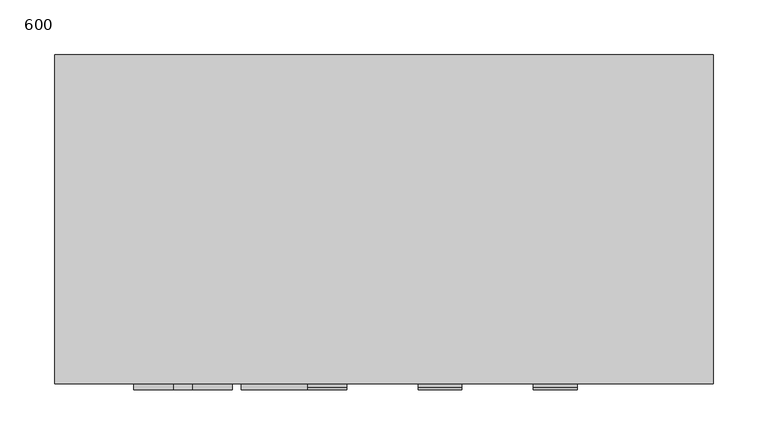
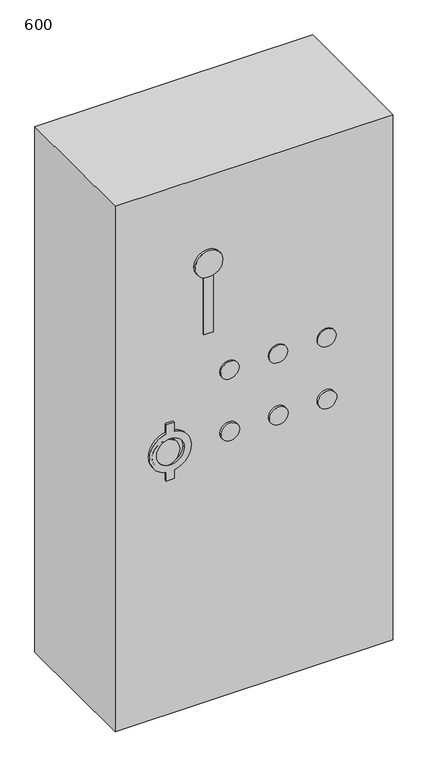
"""IFC4 building model written with IfcOpenShell, lengths in millimetres: proxy geometry, 600."""

from ifc_helpers import new_model, si_unit, point, frame, frame_2d, origin, origin_with_axes, place, context, project, spatial, polyline, circle_curve, trimmed, segment, composite_curve, outline, extrude, source, transform, mapped, element, save


def proxy_600_3b898aa9(model_context):
    return source(origin(), model_context, "Body", "SweptSolid", [
        extrude(outline(composite_curve([segment(polyline([(646.2263443, -174.8580277), (666.1935571, -174.8580277), (666.1935571, -191.848327), (646.1935571, -191.848327)]), True, "CONTINUOUS"), segment(trimmed(circle_curve(frame_2d((602.0191723, -183.2678997)), 45.0), [point((646.1935571, -191.848327))], [point((557.8447876, -191.848327))], False, "CARTESIAN"), True, "CONTINUOUS"), segment(polyline([(557.8447876, -191.848327), (537.8447876, -191.848327), (537.8447876, -174.8580277), (557.8120004, -174.8580277)]), True, "CONTINUOUS"), segment(trimmed(circle_curve(frame_2d((602.0191723, -183.2678997)), 45.0), [point((557.8120004, -174.8580277))], [point((646.2263443, -174.8580277))], False, "CARTESIAN"), True, "CONTINUOUS")], self_intersect=False), holes=[composite_curve([segment(trimmed(circle_curve(frame_2d((602.0191723, -183.2678997)), 30.0), [point((602.0191723, -153.2678997))], [point((602.0191723, -213.2678997))], True, "CARTESIAN"), True, "CONTINUOUS"), segment(trimmed(circle_curve(frame_2d((602.0191723, -183.2678997)), 30.0), [point((602.0191723, -213.2678997))], [point((602.0191723, -153.2678997))], True, "CARTESIAN"), True, "CONTINUOUS")], self_intersect=False)]), frame((0.0, -154.9964393, 0.0), z_axis=(0.0, 1.0, 0.0), x_axis=(0.0, 0.0, 1.0)), (0.0, 0.0, 1.0), 41.1845185),
        extrude(outline(composite_curve([segment(trimmed(circle_curve(frame_2d((602.0191723, -193.2678997)), 30.0), [point((602.0191723, -163.2678997))], [point((602.0191723, -223.2678997))], False, "CARTESIAN"), True, "CONTINUOUS"), segment(trimmed(circle_curve(frame_2d((602.0191723, -193.2678997)), 30.0), [point((602.0191723, -223.2678997))], [point((602.0191723, -163.2678997))], False, "CARTESIAN"), True, "CONTINUOUS")], self_intersect=False)), frame((0.0, -154.9964393, 0.0), z_axis=(0.0, 1.0, 0.0), x_axis=(0.0, 0.0, 1.0)), (0.0, 0.0, 1.0), 41.1845185),
        extrude(outline(composite_curve([segment(trimmed(circle_curve(frame_2d((602.0475838, -53.9159704)), 20.0), [point((602.0475838, -33.9159704))], [point((602.0475838, -73.9159704))], False, "CARTESIAN"), True, "CONTINUOUS"), segment(trimmed(circle_curve(frame_2d((602.0475838, -53.9159704)), 20.0), [point((602.0475838, -73.9159704))], [point((602.0475838, -33.9159704))], False, "CARTESIAN"), True, "CONTINUOUS")], self_intersect=False)), frame((0.0, -154.9964393, 0.0), z_axis=(0.0, 1.0, 0.0), x_axis=(0.0, 0.0, 1.0)), (0.0, 0.0, 1.0), 41.1845185),
        extrude(outline(composite_curve([segment(trimmed(circle_curve(frame_2d((602.0475838, 51.0840296)), 20.0), [point((602.0475838, 71.0840296))], [point((602.0475838, 31.0840296))], False, "CARTESIAN"), True, "CONTINUOUS"), segment(trimmed(circle_curve(frame_2d((602.0475838, 51.0840296)), 20.0), [point((602.0475838, 31.0840296))], [point((602.0475838, 71.0840296))], False, "CARTESIAN"), True, "CONTINUOUS")], self_intersect=False)), frame((0.0, -154.9964393, 0.0), z_axis=(0.0, 1.0, 0.0), x_axis=(0.0, 0.0, 1.0)), (0.0, 0.0, 1.0), 41.1845185),
        extrude(outline(composite_curve([segment(trimmed(circle_curve(frame_2d((602.0475838, 156.0840296)), 20.0), [point((602.0475838, 176.0840296))], [point((602.0475838, 136.0840296))], False, "CARTESIAN"), True, "CONTINUOUS"), segment(trimmed(circle_curve(frame_2d((602.0475838, 156.0840296)), 20.0), [point((602.0475838, 136.0840296))], [point((602.0475838, 176.0840296))], False, "CARTESIAN"), True, "CONTINUOUS")], self_intersect=False)), frame((0.0, -154.9964393, 0.0), z_axis=(0.0, 1.0, 0.0), x_axis=(0.0, 0.0, 1.0)), (0.0, 0.0, 1.0), 41.1845185),
        extrude(outline(composite_curve([segment(trimmed(circle_curve(frame_2d((742.0475838, -53.9159704)), 20.0), [point((742.0475838, -33.9159704))], [point((742.0475838, -73.9159704))], False, "CARTESIAN"), True, "CONTINUOUS"), segment(trimmed(circle_curve(frame_2d((742.0475838, -53.9159704)), 20.0), [point((742.0475838, -73.9159704))], [point((742.0475838, -33.9159704))], False, "CARTESIAN"), True, "CONTINUOUS")], self_intersect=False)), frame((0.0, -153.0442489, 0.0), z_axis=(0.0, 1.0, 0.0), x_axis=(0.0, 0.0, 1.0)), (0.0, 0.0, 1.0), 39.2323281),
        extrude(outline(composite_curve([segment(trimmed(circle_curve(frame_2d((742.0475838, 51.0840296)), 20.0), [point((742.0475838, 71.0840296))], [point((742.0475838, 31.0840296))], False, "CARTESIAN"), True, "CONTINUOUS"), segment(trimmed(circle_curve(frame_2d((742.0475838, 51.0840296)), 20.0), [point((742.0475838, 31.0840296))], [point((742.0475838, 71.0840296))], False, "CARTESIAN"), True, "CONTINUOUS")], self_intersect=False)), frame((0.0, -153.0442489, 0.0), z_axis=(0.0, 1.0, 0.0), x_axis=(0.0, 0.0, 1.0)), (0.0, 0.0, 1.0), 39.2323281),
        extrude(outline(composite_curve([segment(trimmed(circle_curve(frame_2d((742.0475838, 156.0840296)), 20.0), [point((742.0475838, 176.0840296))], [point((742.0475838, 136.0840296))], False, "CARTESIAN"), True, "CONTINUOUS"), segment(trimmed(circle_curve(frame_2d((742.0475838, 156.0840296)), 20.0), [point((742.0475838, 136.0840296))], [point((742.0475838, 176.0840296))], False, "CARTESIAN"), True, "CONTINUOUS")], self_intersect=False)), frame((0.0, -153.0442489, 0.0), z_axis=(0.0, 1.0, 0.0), x_axis=(0.0, 0.0, 1.0)), (0.0, 0.0, 1.0), 39.2323281),
        extrude(outline(polyline([(-90.1285219, -153.0442489), (-110.1285219, -153.0442489), (-110.1285219, -113.8119208), (-90.1285219, -113.8119208), (-90.1285219, -153.0442489)])), frame((0.0, 0.0, 841.9670687), z_axis=(0.0, 0.0, 1.0), x_axis=(1.0, 0.0, 0.0)), (0.0, 0.0, 1.0), 160.0),
        extrude(outline(composite_curve([segment(trimmed(circle_curve(frame_2d((1001.9670687, -100.1285219)), 30.0), [point((1001.9670687, -70.1285219))], [point((1001.9670687, -130.1285219))], False, "CARTESIAN"), True, "CONTINUOUS"), segment(trimmed(circle_curve(frame_2d((1001.9670687, -100.1285219)), 30.0), [point((1001.9670687, -130.1285219))], [point((1001.9670687, -70.1285219))], False, "CARTESIAN"), True, "CONTINUOUS")], self_intersect=False)), frame((0.0, -154.9964393, 0.0), z_axis=(0.0, 1.0, 0.0), x_axis=(0.0, 0.0, 1.0)), (0.0, 0.0, 1.0), 41.1845185),
        extrude(outline(polyline([(300.0, 150.0), (300.0, -150.0), (-300.0, -150.0), (-300.0, 150.0), (300.0, 150.0)])), origin_with_axes(), (0.0, 0.0, 1.0), 1200.0),
    ])


if __name__ == "__main__":
    model = new_model("IFC4")
    model_context = context("Model", 3, world=origin())
    ifc_project = project(units=[si_unit("LENGTHUNIT", "METRE", prefix="MILLI")], contexts=[model_context])
    site = spatial("IfcSite", under=ifc_project)
    building = spatial("IfcBuilding", under=site)
    placement = place(None, origin())
    proxy_600_shape = proxy_600_3b898aa9(model_context)
    element("IfcBuildingElementProxy", 1, Name="600", ObjectType="600", at=placement, inside=building, context=model_context, shape_type="MappedRepresentation", body=[
        mapped(proxy_600_shape, transform((0.0, 0.0, 0.0), x_axis=(1.0, 0.0, 0.0), y_axis=(0.0, 1.0, 0.0), z_axis=(0.0, 0.0, 1.0))),
    ])
    save(model, "model.ifc")
